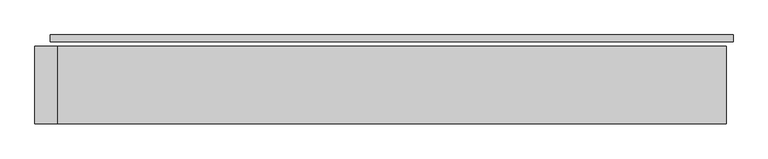
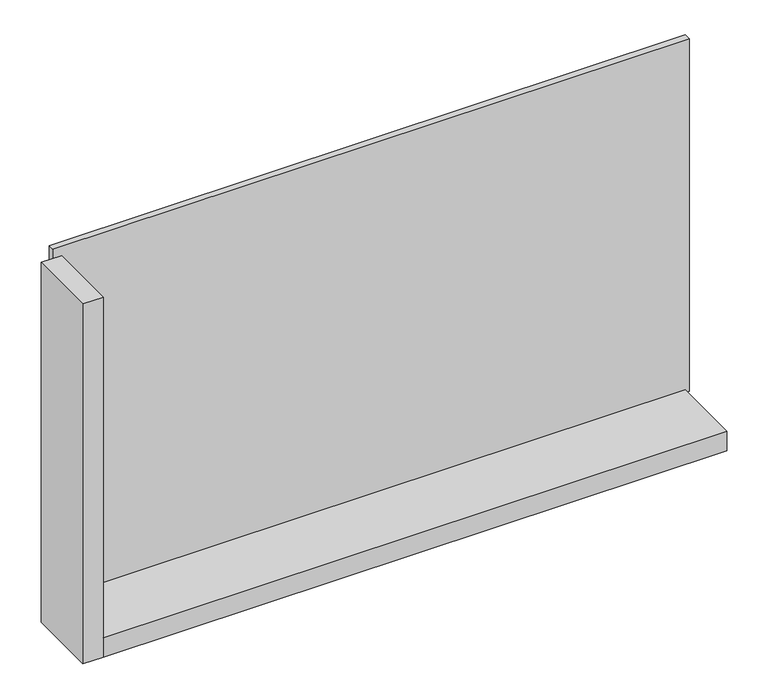
"""IFC4 building model written with IfcOpenShell, lengths in millimetres: plate geometry."""

from ifc_helpers import new_model, si_unit, frame, origin, origin_with_axes, place, context, project, spatial, polyline, outline, extrude, source, transform, mapped, element, save


def plate_223b7e88(model_context):
    return source(origin(), model_context, "Body", "SweptSolid", [
        extrude(outline(polyline([(1235.0, 0.0), (1235.0, -25.0), (-1235.0, -25.0), (-1235.0, 0.0), (1235.0, 0.0)])), origin_with_axes(), (0.0, 0.0, 1.0), 1447.534293),
        extrude(outline(polyline([(-1210.0, -41.0), (-1210.0, -321.0), (-1290.0, -321.0), (-1290.0, -41.0), (-1210.0, -41.0)])), frame((0.0, 0.0, -55.0), z_axis=(0.0, 0.0, 1.0), x_axis=(1.0, 0.0, 0.0)), (0.0, 0.0, 1.0), 1477.534293),
        extrude(outline(polyline([(1210.0, -321.0), (-1210.0, -321.0), (-1210.0, -41.0), (1210.0, -41.0), (1210.0, -321.0)])), frame((0.0, 0.0, -55.0), z_axis=(0.0, 0.0, 1.0), x_axis=(1.0, 0.0, 0.0)), (0.0, 0.0, 1.0), 80.0),
    ])


if __name__ == "__main__":
    model = new_model("IFC4")
    model_context = context("Model", 3, world=origin())
    ifc_project = project(units=[si_unit("LENGTHUNIT", "METRE", prefix="MILLI")], contexts=[model_context])
    site = spatial("IfcSite", under=ifc_project)
    building = spatial("IfcBuilding", under=site)
    placement = place(None, origin())
    plate_shape = plate_223b7e88(model_context)
    element("IfcPlate", 1, at=placement, inside=building, context=model_context, shape_type="MappedRepresentation", body=[
        mapped(plate_shape, transform((0.0, 0.0, 0.0), x_axis=(1.0, 0.0, 0.0), y_axis=(0.0, 1.0, 0.0), z_axis=(0.0, 0.0, 1.0))),
    ])
    save(model, "model.ifc")
